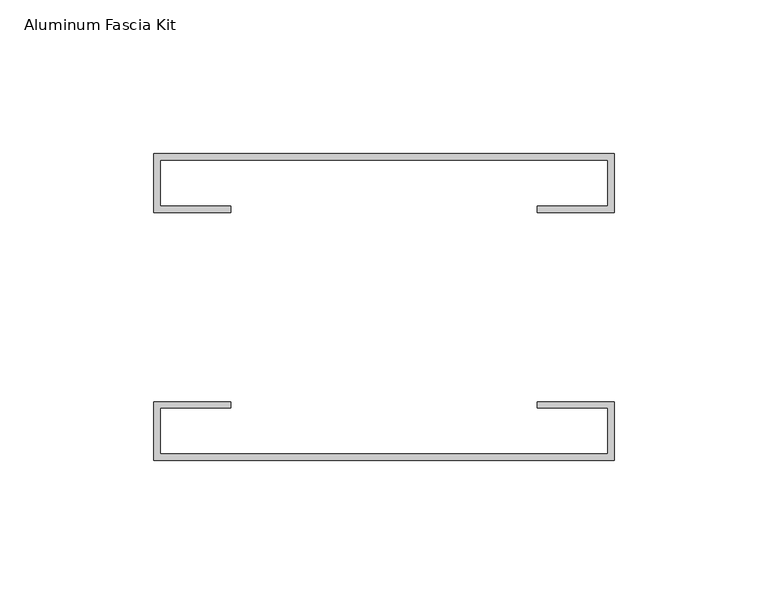
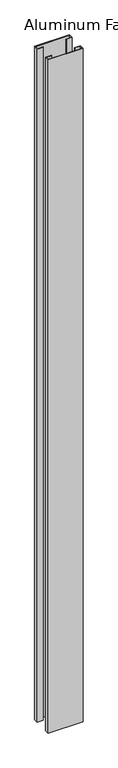
"""IFC4 building model written with IfcOpenShell, lengths in millimetres: proxy geometry, Aluminum Fascia Kit."""

from ifc_helpers import new_model, si_unit, origin, origin_with_axes, place, context, project, spatial, polyline, outline, extrude, source, transform, mapped, element, save


def aluminum_fascia_kit_fc3571d5(model_context):
    return source(origin(), model_context, "Body", "SweptSolid", [
        extrude(outline(polyline([(70.0272843, 47.8064467), (-75.4223668, 47.8064467), (-75.4223668, 32.8299556), (-52.4921256, 32.8299556), (-52.4921256, 30.7992449), (-77.4530774, 30.7992449), (-77.4530774, 49.8371574), (72.0579949, 49.8371574), (72.0579949, 30.7992449), (47.0970431, 30.7992449), (47.0970431, 32.8299556), (70.0272843, 32.8299556), (70.0272843, 47.8064467)])), origin_with_axes(), (0.0, 0.0, 1.0), 3048.0),
        extrude(outline(polyline([(70.0272843, -47.8064467), (70.0272843, -32.8299556), (47.0970431, -32.8299556), (47.0970431, -30.7992449), (72.0579949, -30.7992449), (72.0579949, -49.8371574), (-77.4530774, -49.8371574), (-77.4530774, -30.7992449), (-52.4921256, -30.7992449), (-52.4921256, -32.8299556), (-75.4223668, -32.8299556), (-75.4223668, -47.8064467), (70.0272843, -47.8064467)])), origin_with_axes(), (0.0, 0.0, 1.0), 3048.0),
    ])


if __name__ == "__main__":
    model = new_model("IFC4")
    model_context = context("Model", 3, world=origin())
    ifc_project = project(units=[si_unit("LENGTHUNIT", "METRE", prefix="MILLI")], contexts=[model_context])
    site = spatial("IfcSite", under=ifc_project)
    building = spatial("IfcBuilding", under=site)
    placement = place(None, origin())
    aluminum_fascia_kit_shape = aluminum_fascia_kit_fc3571d5(model_context)
    element("IfcBuildingElementProxy", 1, Name="Aluminum Fascia Kit", ObjectType="Aluminum Fascia Kit", at=placement, inside=building, context=model_context, shape_type="MappedRepresentation", body=[
        mapped(aluminum_fascia_kit_shape, transform((0.0, 0.0, 0.0), x_axis=(1.0, 0.0, 0.0), y_axis=(0.0, 1.0, 0.0), z_axis=(0.0, 0.0, 1.0))),
    ])
    save(model, "model.ifc")
